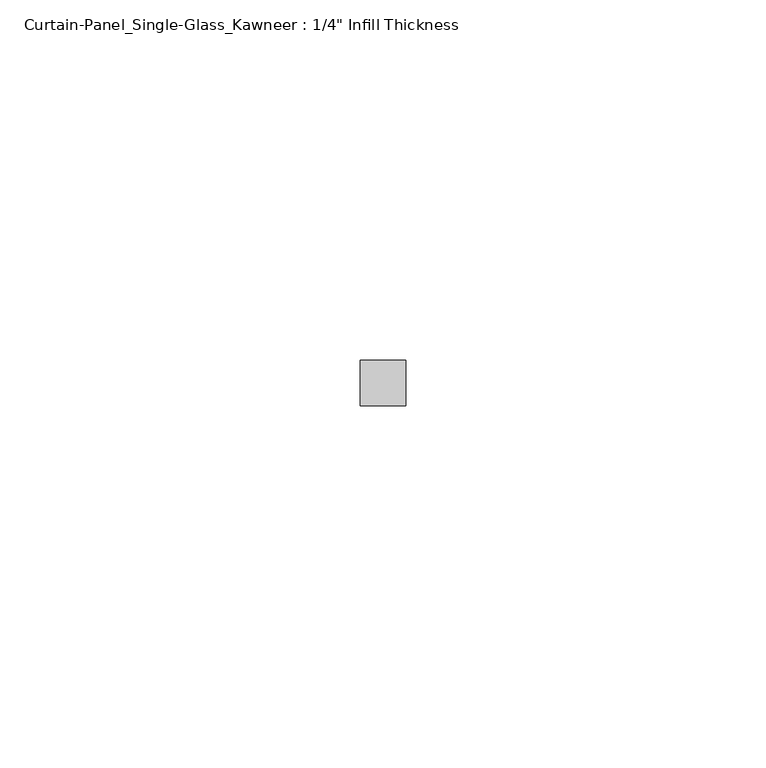
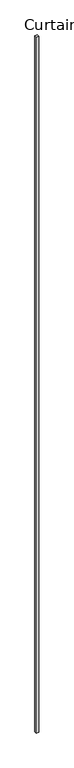
"""IFC4 building model written with IfcOpenShell, lengths in millimetres: plate geometry."""

from ifc_helpers import new_model, si_unit, origin, origin_with_axes, place, context, project, spatial, polyline, outline, extrude, source, transform, mapped, element, save


def plate_c2cdc37a(model_context):
    return source(origin(), model_context, "Body", "SweptSolid", [
        extrude(outline(polyline([(3.175, -3.175), (-3.175, -3.175), (-3.175, 3.175), (3.175, 3.175), (3.175, -3.175)])), origin_with_axes(), (0.0, 0.0, 1.0), 1803.4),
    ])


if __name__ == "__main__":
    model = new_model("IFC4")
    model_context = context("Model", 3, world=origin())
    ifc_project = project(units=[si_unit("LENGTHUNIT", "METRE", prefix="MILLI")], contexts=[model_context])
    site = spatial("IfcSite", under=ifc_project)
    building = spatial("IfcBuilding", under=site)
    placement = place(None, origin())
    plate_shape = plate_c2cdc37a(model_context)
    element("IfcPlate", 1, ObjectType="Curtain-Panel_Single-Glass_Kawneer : 1/4\" Infill Thickness", at=placement, inside=building, context=model_context, shape_type="MappedRepresentation", body=[
        mapped(plate_shape, transform((0.0, 0.0, 0.0), x_axis=(1.0, 0.0, 0.0), y_axis=(0.0, 1.0, 0.0), z_axis=(0.0, 0.0, 1.0))),
    ])
    save(model, "model.ifc")
